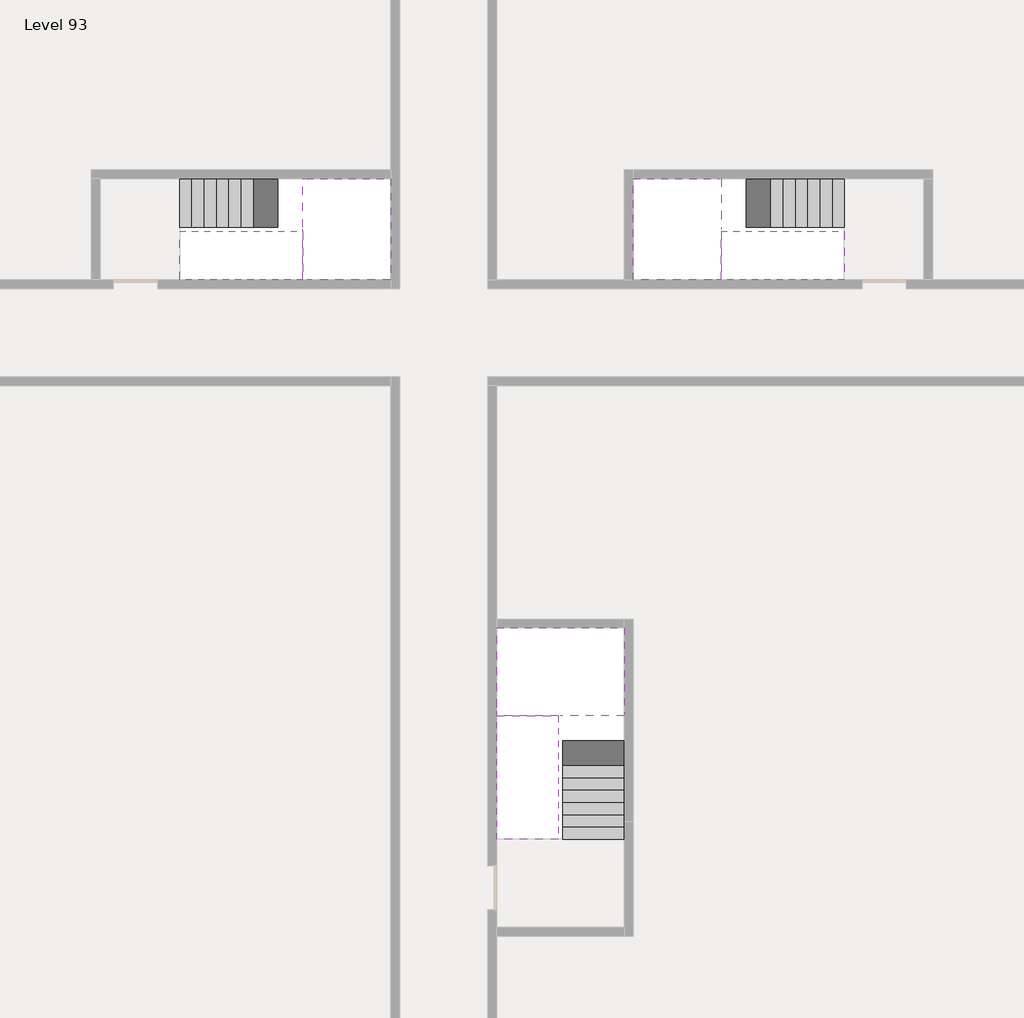
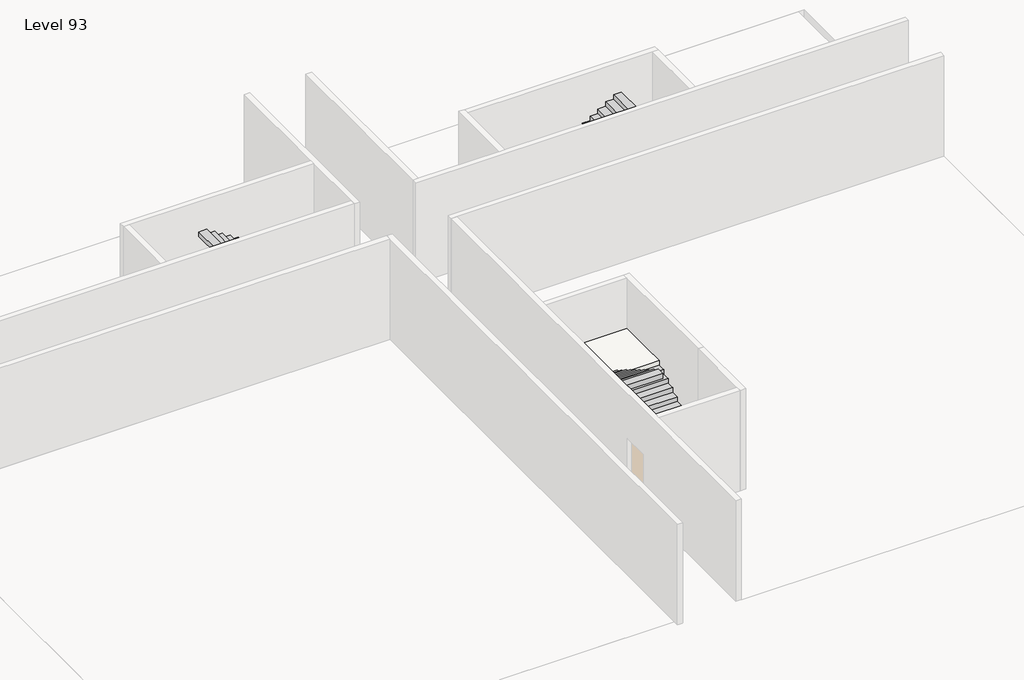
# One storey, part 2 of 2: 6 stair flights, 3 slabs.
"""IFC4 building model written with IfcOpenShell, lengths in millimetres."""

from ifc_helpers import new_model, si_unit, origin, place, context, project, spatial, faceted_brep, element, save

model = new_model("IFC4")

# Units and contexts
model_context = context("Model", 3, world=origin())
ifc_project = project(units=[si_unit("LENGTHUNIT", "METRE", prefix="MILLI")], contexts=[model_context])

# Site, building, storey
site = spatial("IfcSite", under=ifc_project)
building = spatial("IfcBuilding", under=site)
storey = spatial("IfcBuildingStorey", under=building, Name="Level 93", Elevation=349600.0)

# Slabs
placement = place(None, origin())
element("IfcSlab", 1, at=placement, inside=storey, context=model_context, shape_type="Brep", body=[
    faceted_brep([(26890.1058784, -40418.09644, 351500.0), (28290.1058784, -40418.09644, 351500.0), (28290.1058784, -40338.7100038, 351500.0), (28290.1058784, -38418.09644, 351500.0), (25390.1058784, -38418.09644, 351500.0), (25390.1058784, -40217.4828763, 351500.0), (25390.1058784, -40418.09644, 351500.0), (26790.1058784, -40418.09644, 351500.0), (26890.1058784, -40418.09644, 351200.0), (26890.1058784, -40418.09644, 351151.0278478), (28290.1058784, -40418.09644, 351151.0278478), (28290.1058784, -40418.09644, 351327.2727273), (28290.1058784, -40338.7100038, 351200.0), (28290.1058784, -38418.09644, 351200.0), (25390.1058784, -38418.09644, 351200.0), (25390.1058784, -40217.4828763, 351200.0), (25390.1058784, -40418.09644, 351323.7551205), (26790.1058784, -40418.09644, 351323.7551205), (26790.1058784, -40418.09644, 351200.0), (26790.1058784, -40217.4828763, 351200.0), (26890.1058784, -40338.7100038, 351200.0)], [[[0, 1, 2, 3, 4, 5, 6, 7]], [[1, 0, 8, 9, 10, 11]], [[1, 11, 10, 12, 13, 3, 2]], [[4, 3, 13, 14]], [[4, 14, 15, 16, 6, 5]], [[7, 6, 16, 17]], [[0, 7, 17, 18, 8]], [[18, 19, 15, 14, 13, 12, 20, 8]], [[19, 18, 17]], [[20, 12, 10, 9]], [[8, 20, 9]], [[15, 19, 17, 16]]]),
])
element("IfcSlab", 2, at=placement, inside=storey, context=model_context, shape_type="Brep", body=[
    faceted_brep([(20990.1058784, -28218.09644, 351500.0), (20990.1058784, -29318.09644, 351500.0), (20990.1058784, -29418.09644, 351500.0), (20990.1058784, -30518.09644, 351500.0), (21190.7194421, -30518.09644, 351500.0), (22990.1058784, -30518.09644, 351500.0), (22990.1058784, -28218.09644, 351500.0), (21069.4923146, -28218.09644, 351500.0), (20990.1058784, -28218.09644, 351327.2727273), (20990.1058784, -28218.09644, 351151.0278478), (20990.1058784, -29318.09644, 351151.0278478), (20990.1058784, -29318.09644, 351200.0), (20990.1058784, -29418.09644, 351200.0), (20990.1058784, -29418.09644, 351323.7551205), (20990.1058784, -30518.09644, 351323.7551205), (21190.7194421, -30518.09644, 351200.0), (22990.1058784, -30518.09644, 351200.0), (22990.1058784, -28218.09644, 351200.0), (21069.4923146, -28218.09644, 351200.0), (21190.7194421, -29418.09644, 351200.0), (21069.4923146, -29318.09644, 351200.0)], [[[0, 1, 2, 3, 4, 5, 6, 7]], [[1, 0, 8, 9, 10, 11]], [[2, 1, 11, 12, 13]], [[3, 2, 13, 14]], [[3, 14, 15, 16, 5, 4]], [[6, 5, 16, 17]], [[9, 8, 0, 7, 6, 17, 18]], [[19, 12, 11, 20, 18, 17, 16, 15]], [[12, 19, 13]], [[18, 20, 10, 9]], [[20, 11, 10]], [[19, 15, 14, 13]]]),
])
element("IfcSlab", 3, at=placement, inside=storey, context=model_context, shape_type="Brep", body=[
    faceted_brep([(30490.1058784, -29318.09644, 351500.0), (30490.1058784, -28218.09644, 351500.0), (30410.7194421, -28218.09644, 351500.0), (28490.1058784, -28218.09644, 351500.0), (28490.1058784, -30518.09644, 351500.0), (30289.4923146, -30518.09644, 351500.0), (30490.1058784, -30518.09644, 351500.0), (30490.1058784, -29418.09644, 351500.0), (30490.1058784, -29318.09644, 351200.0), (30490.1058784, -29318.09644, 351151.0278478), (30490.1058784, -28218.09644, 351151.0278478), (30490.1058784, -28218.09644, 351327.2727273), (30490.1058784, -29418.09644, 351323.7551205), (30490.1058784, -29418.09644, 351200.0), (30490.1058784, -30518.09644, 351323.7551205), (28490.1058784, -30518.09644, 351200.0), (30289.4923146, -30518.09644, 351200.0), (28490.1058784, -28218.09644, 351200.0), (30410.7194421, -28218.09644, 351200.0), (30289.4923146, -29418.09644, 351200.0), (30410.7194421, -29318.09644, 351200.0)], [[[0, 1, 2, 3, 4, 5, 6, 7]], [[1, 0, 8, 9, 10, 11]], [[0, 7, 12, 13, 8]], [[7, 6, 14, 12]], [[4, 15, 16, 14, 6, 5]], [[4, 3, 17, 15]], [[1, 11, 10, 18, 17, 3, 2]], [[13, 19, 16, 15, 17, 18, 20, 8]], [[20, 18, 10, 9]], [[8, 20, 9]], [[16, 19, 12, 14]], [[19, 13, 12]]]),
])

# Stair flights
element("IfcStairFlight", 4, at=placement, inside=storey, context=model_context, shape_type="Brep", body=[
    faceted_brep([(26890.1058784, -42938.09644, 349772.7272727), (26890.1058784, -43218.09644, 349772.7272727), (28290.1058784, -43218.09644, 349772.7272727), (28290.1058784, -42938.09644, 349772.7272727), (26890.1058784, -42938.09644, 349600.0), (26890.1058784, -43218.09644, 349600.0), (28290.1058784, -43218.09644, 349600.0), (28290.1058784, -42938.09644, 349600.0), (26890.1058784, -42658.09644, 349945.4545455), (26890.1058784, -42938.09644, 349945.4545455), (28290.1058784, -42938.09644, 349945.4545455), (28290.1058784, -42658.09644, 349945.4545455), (26890.1058784, -42658.09644, 349769.209666), (26890.1058784, -42932.3942143, 349600.0), (28290.1058784, -42932.3942143, 349600.0), (28290.1058784, -42658.09644, 349769.209666), (26890.1058784, -42378.09644, 350118.1818182), (26890.1058784, -42658.09644, 350118.1818182), (28290.1058784, -42658.09644, 350118.1818182), (28290.1058784, -42378.09644, 350118.1818182), (26890.1058784, -42378.09644, 349941.9369387), (28290.1058784, -42378.09644, 349941.9369387), (26890.1058784, -42098.09644, 350290.9090909), (26890.1058784, -42378.09644, 350290.9090909), (28290.1058784, -42378.09644, 350290.9090909), (28290.1058784, -42098.09644, 350290.9090909), (26890.1058784, -42098.09644, 350114.6642114), (28290.1058784, -42098.09644, 350114.6642114), (26890.1058784, -41818.09644, 350463.6363636), (26890.1058784, -42098.09644, 350463.6363636), (28290.1058784, -42098.09644, 350463.6363636), (28290.1058784, -41818.09644, 350463.6363636), (26890.1058784, -41818.09644, 350287.3914841), (28290.1058784, -41818.09644, 350287.3914841), (26890.1058784, -41538.09644, 350636.3636364), (26890.1058784, -41818.09644, 350636.3636364), (28290.1058784, -41818.09644, 350636.3636364), (28290.1058784, -41538.09644, 350636.3636364), (26890.1058784, -41538.09644, 350460.1187569), (28290.1058784, -41538.09644, 350460.1187569), (26890.1058784, -41258.09644, 350809.0909091), (26890.1058784, -41538.09644, 350809.0909091), (28290.1058784, -41538.09644, 350809.0909091), (28290.1058784, -41258.09644, 350809.0909091), (26890.1058784, -41258.09644, 350632.8460296), (28290.1058784, -41258.09644, 350632.8460296), (26890.1058784, -40978.09644, 350981.8181818), (26890.1058784, -41258.09644, 350981.8181818), (28290.1058784, -41258.09644, 350981.8181818), (28290.1058784, -40978.09644, 350981.8181818), (26890.1058784, -40978.09644, 350805.5733023), (28290.1058784, -40978.09644, 350805.5733023), (26890.1058784, -40698.09644, 351154.5454545), (26890.1058784, -40978.09644, 351154.5454545), (28290.1058784, -40978.09644, 351154.5454545), (28290.1058784, -40698.09644, 351154.5454545), (26890.1058784, -40698.09644, 350978.3005751), (28290.1058784, -40698.09644, 350978.3005751), (26890.1058784, -40418.09644, 351327.2727273), (26890.1058784, -40698.09644, 351327.2727273), (28290.1058784, -40698.09644, 351327.2727273), (28290.1058784, -40418.09644, 351327.2727273), (26890.1058784, -40418.09644, 351200.0), (26890.1058784, -40418.09644, 351151.0278478), (28290.1058784, -40418.09644, 351151.0278478)], [[[0, 1, 2, 3]], [[1, 0, 4, 5]], [[2, 1, 5, 6]], [[3, 2, 6, 7]], [[8, 9, 10, 11]], [[4, 0, 9, 8, 12, 13]], [[0, 3, 10, 9]], [[3, 7, 14, 15, 11, 10]], [[16, 17, 18, 19]], [[17, 16, 20, 12, 8]], [[8, 11, 18, 17]], [[19, 18, 11, 15, 21]], [[22, 23, 24, 25]], [[23, 22, 26, 20, 16]], [[16, 19, 24, 23]], [[25, 24, 19, 21, 27]], [[28, 29, 30, 31]], [[29, 28, 32, 26, 22]], [[22, 25, 30, 29]], [[31, 30, 25, 27, 33]], [[34, 35, 36, 37]], [[35, 34, 38, 32, 28]], [[28, 31, 36, 35]], [[37, 36, 31, 33, 39]], [[40, 41, 42, 43]], [[41, 40, 44, 38, 34]], [[34, 37, 42, 41]], [[43, 42, 37, 39, 45]], [[46, 47, 48, 49]], [[47, 46, 50, 44, 40]], [[40, 43, 48, 47]], [[49, 48, 43, 45, 51]], [[52, 53, 54, 55]], [[53, 52, 56, 50, 46]], [[46, 49, 54, 53]], [[55, 54, 49, 51, 57]], [[58, 59, 60, 61]], [[59, 58, 62, 63, 56, 52]], [[52, 55, 60, 59]], [[61, 60, 55, 57, 64]], [[58, 61, 64, 63, 62]], [[5, 4, 13, 14, 7, 6]], [[14, 13, 12, 20, 26, 32, 38, 44, 50, 56, 63, 64, 57, 51, 45, 39, 33, 27, 21, 15]]]),
])
element("IfcStairFlight", 5, at=placement, inside=storey, context=model_context, shape_type="Brep", body=[
    faceted_brep([(26790.1058784, -40698.09644, 351672.7272727), (26790.1058784, -40418.09644, 351672.7272727), (25390.1058784, -40418.09644, 351672.7272727), (25390.1058784, -40698.09644, 351672.7272727), (26790.1058784, -40698.09644, 351496.4823932), (26790.1058784, -40418.09644, 351323.7551205), (25390.1058784, -40418.09644, 351323.7551205), (25390.1058784, -40418.09644, 351500.0), (25390.1058784, -40698.09644, 351496.4823932), (26790.1058784, -40978.09644, 351845.4545455), (26790.1058784, -40698.09644, 351845.4545455), (25390.1058784, -40698.09644, 351845.4545455), (25390.1058784, -40978.09644, 351845.4545455), (26790.1058784, -40978.09644, 351669.209666), (25390.1058784, -40978.09644, 351669.209666), (26790.1058784, -41258.09644, 352018.1818182), (26790.1058784, -40978.09644, 352018.1818182), (25390.1058784, -40978.09644, 352018.1818182), (25390.1058784, -41258.09644, 352018.1818182), (26790.1058784, -41258.09644, 351841.9369387), (25390.1058784, -41258.09644, 351841.9369387), (26790.1058784, -41538.09644, 352190.9090909), (26790.1058784, -41258.09644, 352190.9090909), (25390.1058784, -41258.09644, 352190.9090909), (25390.1058784, -41538.09644, 352190.9090909), (26790.1058784, -41538.09644, 352014.6642114), (25390.1058784, -41538.09644, 352014.6642114), (26790.1058784, -41818.09644, 352363.6363636), (26790.1058784, -41538.09644, 352363.6363636), (25390.1058784, -41538.09644, 352363.6363636), (25390.1058784, -41818.09644, 352363.6363636), (26790.1058784, -41818.09644, 352187.3914841), (25390.1058784, -41818.09644, 352187.3914841), (26790.1058784, -42098.09644, 352536.3636364), (26790.1058784, -41818.09644, 352536.3636364), (25390.1058784, -41818.09644, 352536.3636364), (25390.1058784, -42098.09644, 352536.3636364), (26790.1058784, -42098.09644, 352360.1187569), (25390.1058784, -42098.09644, 352360.1187569), (26790.1058784, -42378.09644, 352709.0909091), (26790.1058784, -42098.09644, 352709.0909091), (25390.1058784, -42098.09644, 352709.0909091), (25390.1058784, -42378.09644, 352709.0909091), (26790.1058784, -42378.09644, 352532.8460296), (25390.1058784, -42378.09644, 352532.8460296), (26790.1058784, -42658.09644, 352881.8181818), (26790.1058784, -42378.09644, 352881.8181818), (25390.1058784, -42378.09644, 352881.8181818), (25390.1058784, -42658.09644, 352881.8181818), (26790.1058784, -42658.09644, 352705.5733023), (25390.1058784, -42658.09644, 352705.5733023), (26790.1058784, -42938.09644, 353054.5454545), (26790.1058784, -42658.09644, 353054.5454545), (25390.1058784, -42658.09644, 353054.5454545), (25390.1058784, -42938.09644, 353054.5454545), (26790.1058784, -42938.09644, 352878.3005751), (25390.1058784, -42938.09644, 352878.3005751), (26790.1058784, -43218.09644, 353227.2727273), (26790.1058784, -42938.09644, 353227.2727273), (25390.1058784, -42938.09644, 353227.2727273), (25390.1058784, -43218.09644, 353227.2727273), (26790.1058784, -43218.09644, 353051.0278478), (25390.1058784, -43218.09644, 353051.0278478)], [[[0, 1, 2, 3]], [[1, 0, 4, 5]], [[2, 1, 5, 6, 7]], [[3, 2, 7, 6, 8]], [[9, 10, 11, 12]], [[10, 9, 13, 4, 0]], [[11, 10, 0, 3]], [[12, 11, 3, 8, 14]], [[15, 16, 17, 18]], [[16, 15, 19, 13, 9]], [[17, 16, 9, 12]], [[18, 17, 12, 14, 20]], [[21, 22, 23, 24]], [[22, 21, 25, 19, 15]], [[23, 22, 15, 18]], [[24, 23, 18, 20, 26]], [[27, 28, 29, 30]], [[28, 27, 31, 25, 21]], [[29, 28, 21, 24]], [[30, 29, 24, 26, 32]], [[33, 34, 35, 36]], [[34, 33, 37, 31, 27]], [[35, 34, 27, 30]], [[36, 35, 30, 32, 38]], [[39, 40, 41, 42]], [[40, 39, 43, 37, 33]], [[41, 40, 33, 36]], [[42, 41, 36, 38, 44]], [[45, 46, 47, 48]], [[46, 45, 49, 43, 39]], [[47, 46, 39, 42]], [[48, 47, 42, 44, 50]], [[51, 52, 53, 54]], [[52, 51, 55, 49, 45]], [[53, 52, 45, 48]], [[54, 53, 48, 50, 56]], [[57, 58, 59, 60]], [[58, 57, 61, 55, 51]], [[59, 58, 51, 54]], [[60, 59, 54, 56, 62]], [[57, 60, 62, 61]], [[5, 4, 13, 19, 25, 31, 37, 43, 49, 55, 61, 62, 56, 50, 44, 38, 32, 26, 20, 14, 8, 6]]]),
])
element("IfcStairFlight", 6, at=placement, inside=storey, context=model_context, shape_type="Brep", body=[
    faceted_brep([(18470.1058784, -28218.09644, 349772.7272727), (18190.1058784, -28218.09644, 349772.7272727), (18190.1058784, -29318.09644, 349772.7272727), (18470.1058784, -29318.09644, 349772.7272727), (18470.1058784, -28218.09644, 349600.0), (18190.1058784, -28218.09644, 349600.0), (18190.1058784, -29318.09644, 349600.0), (18470.1058784, -29318.09644, 349600.0), (18750.1058784, -28218.09644, 349945.4545455), (18470.1058784, -28218.09644, 349945.4545455), (18470.1058784, -29318.09644, 349945.4545455), (18750.1058784, -29318.09644, 349945.4545455), (18750.1058784, -28218.09644, 349769.209666), (18475.8081041, -28218.09644, 349600.0), (18475.8081041, -29318.09644, 349600.0), (18750.1058784, -29318.09644, 349769.209666), (19030.1058784, -28218.09644, 350118.1818182), (18750.1058784, -28218.09644, 350118.1818182), (18750.1058784, -29318.09644, 350118.1818182), (19030.1058784, -29318.09644, 350118.1818182), (19030.1058784, -28218.09644, 349941.9369387), (19030.1058784, -29318.09644, 349941.9369387), (19310.1058784, -28218.09644, 350290.9090909), (19030.1058784, -28218.09644, 350290.9090909), (19030.1058784, -29318.09644, 350290.9090909), (19310.1058784, -29318.09644, 350290.9090909), (19310.1058784, -28218.09644, 350114.6642114), (19310.1058784, -29318.09644, 350114.6642114), (19590.1058784, -28218.09644, 350463.6363636), (19310.1058784, -28218.09644, 350463.6363636), (19310.1058784, -29318.09644, 350463.6363636), (19590.1058784, -29318.09644, 350463.6363636), (19590.1058784, -28218.09644, 350287.3914841), (19590.1058784, -29318.09644, 350287.3914841), (19870.1058784, -28218.09644, 350636.3636364), (19590.1058784, -28218.09644, 350636.3636364), (19590.1058784, -29318.09644, 350636.3636364), (19870.1058784, -29318.09644, 350636.3636364), (19870.1058784, -28218.09644, 350460.1187569), (19870.1058784, -29318.09644, 350460.1187569), (20150.1058784, -28218.09644, 350809.0909091), (19870.1058784, -28218.09644, 350809.0909091), (19870.1058784, -29318.09644, 350809.0909091), (20150.1058784, -29318.09644, 350809.0909091), (20150.1058784, -28218.09644, 350632.8460296), (20150.1058784, -29318.09644, 350632.8460296), (20430.1058784, -28218.09644, 350981.8181818), (20150.1058784, -28218.09644, 350981.8181818), (20150.1058784, -29318.09644, 350981.8181818), (20430.1058784, -29318.09644, 350981.8181818), (20430.1058784, -28218.09644, 350805.5733023), (20430.1058784, -29318.09644, 350805.5733023), (20710.1058784, -28218.09644, 351154.5454545), (20430.1058784, -28218.09644, 351154.5454545), (20430.1058784, -29318.09644, 351154.5454545), (20710.1058784, -29318.09644, 351154.5454545), (20710.1058784, -28218.09644, 350978.3005751), (20710.1058784, -29318.09644, 350978.3005751), (20990.1058784, -28218.09644, 351327.2727273), (20710.1058784, -28218.09644, 351327.2727273), (20710.1058784, -29318.09644, 351327.2727273), (20990.1058784, -29318.09644, 351327.2727273), (20990.1058784, -28218.09644, 351151.0278478), (20990.1058784, -29318.09644, 351151.0278478), (20990.1058784, -29318.09644, 351200.0)], [[[0, 1, 2, 3]], [[1, 0, 4, 5]], [[2, 1, 5, 6]], [[3, 2, 6, 7]], [[8, 9, 10, 11]], [[4, 0, 9, 8, 12, 13]], [[0, 3, 10, 9]], [[3, 7, 14, 15, 11, 10]], [[16, 17, 18, 19]], [[17, 16, 20, 12, 8]], [[8, 11, 18, 17]], [[19, 18, 11, 15, 21]], [[22, 23, 24, 25]], [[23, 22, 26, 20, 16]], [[16, 19, 24, 23]], [[25, 24, 19, 21, 27]], [[28, 29, 30, 31]], [[29, 28, 32, 26, 22]], [[22, 25, 30, 29]], [[31, 30, 25, 27, 33]], [[34, 35, 36, 37]], [[35, 34, 38, 32, 28]], [[28, 31, 36, 35]], [[37, 36, 31, 33, 39]], [[40, 41, 42, 43]], [[41, 40, 44, 38, 34]], [[34, 37, 42, 41]], [[43, 42, 37, 39, 45]], [[46, 47, 48, 49]], [[47, 46, 50, 44, 40]], [[40, 43, 48, 47]], [[49, 48, 43, 45, 51]], [[52, 53, 54, 55]], [[53, 52, 56, 50, 46]], [[46, 49, 54, 53]], [[55, 54, 49, 51, 57]], [[58, 59, 60, 61]], [[59, 58, 62, 56, 52]], [[52, 55, 60, 59]], [[61, 60, 55, 57, 63, 64]], [[58, 61, 64, 63, 62]], [[5, 4, 13, 14, 7, 6]], [[14, 13, 12, 20, 26, 32, 38, 44, 50, 56, 62, 63, 57, 51, 45, 39, 33, 27, 21, 15]]]),
])
element("IfcStairFlight", 7, at=placement, inside=storey, context=model_context, shape_type="Brep", body=[
    faceted_brep([(20710.1058784, -30518.09644, 351672.7272727), (20990.1058784, -30518.09644, 351672.7272727), (20990.1058784, -29418.09644, 351672.7272727), (20710.1058784, -29418.09644, 351672.7272727), (20710.1058784, -30518.09644, 351496.4823932), (20990.1058784, -30518.09644, 351323.7551205), (20990.1058784, -30518.09644, 351500.0), (20990.1058784, -29418.09644, 351323.7551205), (20710.1058784, -29418.09644, 351496.4823932), (20430.1058784, -30518.09644, 351845.4545455), (20710.1058784, -30518.09644, 351845.4545455), (20710.1058784, -29418.09644, 351845.4545455), (20430.1058784, -29418.09644, 351845.4545455), (20430.1058784, -30518.09644, 351669.209666), (20430.1058784, -29418.09644, 351669.209666), (20150.1058784, -30518.09644, 352018.1818182), (20430.1058784, -30518.09644, 352018.1818182), (20430.1058784, -29418.09644, 352018.1818182), (20150.1058784, -29418.09644, 352018.1818182), (20150.1058784, -30518.09644, 351841.9369387), (20150.1058784, -29418.09644, 351841.9369387), (19870.1058784, -30518.09644, 352190.9090909), (20150.1058784, -30518.09644, 352190.9090909), (20150.1058784, -29418.09644, 352190.9090909), (19870.1058784, -29418.09644, 352190.9090909), (19870.1058784, -30518.09644, 352014.6642114), (19870.1058784, -29418.09644, 352014.6642114), (19590.1058784, -30518.09644, 352363.6363636), (19870.1058784, -30518.09644, 352363.6363636), (19870.1058784, -29418.09644, 352363.6363636), (19590.1058784, -29418.09644, 352363.6363636), (19590.1058784, -30518.09644, 352187.3914841), (19590.1058784, -29418.09644, 352187.3914841), (19310.1058784, -30518.09644, 352536.3636364), (19590.1058784, -30518.09644, 352536.3636364), (19590.1058784, -29418.09644, 352536.3636364), (19310.1058784, -29418.09644, 352536.3636364), (19310.1058784, -30518.09644, 352360.1187569), (19310.1058784, -29418.09644, 352360.1187569), (19030.1058784, -30518.09644, 352709.0909091), (19310.1058784, -30518.09644, 352709.0909091), (19310.1058784, -29418.09644, 352709.0909091), (19030.1058784, -29418.09644, 352709.0909091), (19030.1058784, -30518.09644, 352532.8460296), (19030.1058784, -29418.09644, 352532.8460296), (18750.1058784, -30518.09644, 352881.8181818), (19030.1058784, -30518.09644, 352881.8181818), (19030.1058784, -29418.09644, 352881.8181818), (18750.1058784, -29418.09644, 352881.8181818), (18750.1058784, -30518.09644, 352705.5733023), (18750.1058784, -29418.09644, 352705.5733023), (18470.1058784, -30518.09644, 353054.5454545), (18750.1058784, -30518.09644, 353054.5454545), (18750.1058784, -29418.09644, 353054.5454545), (18470.1058784, -29418.09644, 353054.5454545), (18470.1058784, -30518.09644, 352878.3005751), (18470.1058784, -29418.09644, 352878.3005751), (18190.1058784, -30518.09644, 353227.2727273), (18470.1058784, -30518.09644, 353227.2727273), (18470.1058784, -29418.09644, 353227.2727273), (18190.1058784, -29418.09644, 353227.2727273), (18190.1058784, -30518.09644, 353051.0278478), (18190.1058784, -29418.09644, 353051.0278478)], [[[0, 1, 2, 3]], [[1, 0, 4, 5, 6]], [[2, 1, 6, 5, 7]], [[3, 2, 7, 8]], [[9, 10, 11, 12]], [[10, 9, 13, 4, 0]], [[11, 10, 0, 3]], [[12, 11, 3, 8, 14]], [[15, 16, 17, 18]], [[16, 15, 19, 13, 9]], [[17, 16, 9, 12]], [[18, 17, 12, 14, 20]], [[21, 22, 23, 24]], [[22, 21, 25, 19, 15]], [[23, 22, 15, 18]], [[24, 23, 18, 20, 26]], [[27, 28, 29, 30]], [[28, 27, 31, 25, 21]], [[29, 28, 21, 24]], [[30, 29, 24, 26, 32]], [[33, 34, 35, 36]], [[34, 33, 37, 31, 27]], [[35, 34, 27, 30]], [[36, 35, 30, 32, 38]], [[39, 40, 41, 42]], [[40, 39, 43, 37, 33]], [[41, 40, 33, 36]], [[42, 41, 36, 38, 44]], [[45, 46, 47, 48]], [[46, 45, 49, 43, 39]], [[47, 46, 39, 42]], [[48, 47, 42, 44, 50]], [[51, 52, 53, 54]], [[52, 51, 55, 49, 45]], [[53, 52, 45, 48]], [[54, 53, 48, 50, 56]], [[57, 58, 59, 60]], [[58, 57, 61, 55, 51]], [[59, 58, 51, 54]], [[60, 59, 54, 56, 62]], [[57, 60, 62, 61]], [[5, 4, 13, 19, 25, 31, 37, 43, 49, 55, 61, 62, 56, 50, 44, 38, 32, 26, 20, 14, 8, 7]]]),
])
element("IfcStairFlight", 8, at=placement, inside=storey, context=model_context, shape_type="Brep", body=[
    faceted_brep([(33010.1058784, -29318.09644, 349772.7272727), (33290.1058784, -29318.09644, 349772.7272727), (33290.1058784, -28218.09644, 349772.7272727), (33010.1058784, -28218.09644, 349772.7272727), (33290.1058784, -28218.09644, 349600.0), (33010.1058784, -28218.09644, 349600.0), (33290.1058784, -29318.09644, 349600.0), (33010.1058784, -29318.09644, 349600.0), (32730.1058784, -29318.09644, 349945.4545455), (33010.1058784, -29318.09644, 349945.4545455), (33010.1058784, -28218.09644, 349945.4545455), (32730.1058784, -28218.09644, 349945.4545455), (33004.4036527, -28218.09644, 349600.0), (32730.1058784, -28218.09644, 349769.209666), (32730.1058784, -29318.09644, 349769.209666), (33004.4036527, -29318.09644, 349600.0), (32450.1058784, -29318.09644, 350118.1818182), (32730.1058784, -29318.09644, 350118.1818182), (32730.1058784, -28218.09644, 350118.1818182), (32450.1058784, -28218.09644, 350118.1818182), (32450.1058784, -28218.09644, 349941.9369387), (32450.1058784, -29318.09644, 349941.9369387), (32170.1058784, -29318.09644, 350290.9090909), (32450.1058784, -29318.09644, 350290.9090909), (32450.1058784, -28218.09644, 350290.9090909), (32170.1058784, -28218.09644, 350290.9090909), (32170.1058784, -28218.09644, 350114.6642114), (32170.1058784, -29318.09644, 350114.6642114), (31890.1058784, -29318.09644, 350463.6363636), (32170.1058784, -29318.09644, 350463.6363636), (32170.1058784, -28218.09644, 350463.6363636), (31890.1058784, -28218.09644, 350463.6363636), (31890.1058784, -28218.09644, 350287.3914841), (31890.1058784, -29318.09644, 350287.3914841), (31610.1058784, -29318.09644, 350636.3636364), (31890.1058784, -29318.09644, 350636.3636364), (31890.1058784, -28218.09644, 350636.3636364), (31610.1058784, -28218.09644, 350636.3636364), (31610.1058784, -28218.09644, 350460.1187569), (31610.1058784, -29318.09644, 350460.1187569), (31330.1058784, -29318.09644, 350809.0909091), (31610.1058784, -29318.09644, 350809.0909091), (31610.1058784, -28218.09644, 350809.0909091), (31330.1058784, -28218.09644, 350809.0909091), (31330.1058784, -28218.09644, 350632.8460296), (31330.1058784, -29318.09644, 350632.8460296), (31050.1058784, -29318.09644, 350981.8181818), (31330.1058784, -29318.09644, 350981.8181818), (31330.1058784, -28218.09644, 350981.8181818), (31050.1058784, -28218.09644, 350981.8181818), (31050.1058784, -28218.09644, 350805.5733023), (31050.1058784, -29318.09644, 350805.5733023), (30770.1058784, -29318.09644, 351154.5454545), (31050.1058784, -29318.09644, 351154.5454545), (31050.1058784, -28218.09644, 351154.5454545), (30770.1058784, -28218.09644, 351154.5454545), (30770.1058784, -28218.09644, 350978.3005751), (30770.1058784, -29318.09644, 350978.3005751), (30490.1058784, -29318.09644, 351327.2727273), (30770.1058784, -29318.09644, 351327.2727273), (30770.1058784, -28218.09644, 351327.2727273), (30490.1058784, -28218.09644, 351327.2727273), (30490.1058784, -28218.09644, 351151.0278478), (30490.1058784, -29318.09644, 351200.0), (30490.1058784, -29318.09644, 351151.0278478)], [[[0, 1, 2, 3]], [[3, 2, 4, 5]], [[2, 1, 6, 4]], [[1, 0, 7, 6]], [[8, 9, 10, 11]], [[3, 5, 12, 13, 11, 10]], [[0, 3, 10, 9]], [[7, 0, 9, 8, 14, 15]], [[16, 17, 18, 19]], [[19, 18, 11, 13, 20]], [[8, 11, 18, 17]], [[17, 16, 21, 14, 8]], [[22, 23, 24, 25]], [[25, 24, 19, 20, 26]], [[16, 19, 24, 23]], [[23, 22, 27, 21, 16]], [[28, 29, 30, 31]], [[31, 30, 25, 26, 32]], [[22, 25, 30, 29]], [[29, 28, 33, 27, 22]], [[34, 35, 36, 37]], [[37, 36, 31, 32, 38]], [[28, 31, 36, 35]], [[35, 34, 39, 33, 28]], [[40, 41, 42, 43]], [[43, 42, 37, 38, 44]], [[34, 37, 42, 41]], [[41, 40, 45, 39, 34]], [[46, 47, 48, 49]], [[49, 48, 43, 44, 50]], [[40, 43, 48, 47]], [[47, 46, 51, 45, 40]], [[52, 53, 54, 55]], [[55, 54, 49, 50, 56]], [[46, 49, 54, 53]], [[53, 52, 57, 51, 46]], [[58, 59, 60, 61]], [[61, 60, 55, 56, 62]], [[52, 55, 60, 59]], [[59, 58, 63, 64, 57, 52]], [[58, 61, 62, 64, 63]], [[6, 7, 15, 12, 5, 4]], [[12, 15, 14, 21, 27, 33, 39, 45, 51, 57, 64, 62, 56, 50, 44, 38, 32, 26, 20, 13]]]),
])
element("IfcStairFlight", 9, at=placement, inside=storey, context=model_context, shape_type="Brep", body=[
    faceted_brep([(30770.1058784, -29418.09644, 351672.7272727), (30490.1058784, -29418.09644, 351672.7272727), (30490.1058784, -30518.09644, 351672.7272727), (30770.1058784, -30518.09644, 351672.7272727), (30490.1058784, -30518.09644, 351500.0), (30490.1058784, -30518.09644, 351323.7551205), (30770.1058784, -30518.09644, 351496.4823932), (30490.1058784, -29418.09644, 351323.7551205), (30770.1058784, -29418.09644, 351496.4823932), (31050.1058784, -29418.09644, 351845.4545455), (30770.1058784, -29418.09644, 351845.4545455), (30770.1058784, -30518.09644, 351845.4545455), (31050.1058784, -30518.09644, 351845.4545455), (31050.1058784, -30518.09644, 351669.209666), (31050.1058784, -29418.09644, 351669.209666), (31330.1058784, -29418.09644, 352018.1818182), (31050.1058784, -29418.09644, 352018.1818182), (31050.1058784, -30518.09644, 352018.1818182), (31330.1058784, -30518.09644, 352018.1818182), (31330.1058784, -30518.09644, 351841.9369387), (31330.1058784, -29418.09644, 351841.9369387), (31610.1058784, -29418.09644, 352190.9090909), (31330.1058784, -29418.09644, 352190.9090909), (31330.1058784, -30518.09644, 352190.9090909), (31610.1058784, -30518.09644, 352190.9090909), (31610.1058784, -30518.09644, 352014.6642114), (31610.1058784, -29418.09644, 352014.6642114), (31890.1058784, -29418.09644, 352363.6363636), (31610.1058784, -29418.09644, 352363.6363636), (31610.1058784, -30518.09644, 352363.6363636), (31890.1058784, -30518.09644, 352363.6363636), (31890.1058784, -30518.09644, 352187.3914841), (31890.1058784, -29418.09644, 352187.3914841), (32170.1058784, -29418.09644, 352536.3636364), (31890.1058784, -29418.09644, 352536.3636364), (31890.1058784, -30518.09644, 352536.3636364), (32170.1058784, -30518.09644, 352536.3636364), (32170.1058784, -30518.09644, 352360.1187569), (32170.1058784, -29418.09644, 352360.1187569), (32450.1058784, -29418.09644, 352709.0909091), (32170.1058784, -29418.09644, 352709.0909091), (32170.1058784, -30518.09644, 352709.0909091), (32450.1058784, -30518.09644, 352709.0909091), (32450.1058784, -30518.09644, 352532.8460296), (32450.1058784, -29418.09644, 352532.8460296), (32730.1058784, -29418.09644, 352881.8181818), (32450.1058784, -29418.09644, 352881.8181818), (32450.1058784, -30518.09644, 352881.8181818), (32730.1058784, -30518.09644, 352881.8181818), (32730.1058784, -30518.09644, 352705.5733023), (32730.1058784, -29418.09644, 352705.5733023), (33010.1058784, -29418.09644, 353054.5454545), (32730.1058784, -29418.09644, 353054.5454545), (32730.1058784, -30518.09644, 353054.5454545), (33010.1058784, -30518.09644, 353054.5454545), (33010.1058784, -30518.09644, 352878.3005751), (33010.1058784, -29418.09644, 352878.3005751), (33290.1058784, -29418.09644, 353227.2727273), (33010.1058784, -29418.09644, 353227.2727273), (33010.1058784, -30518.09644, 353227.2727273), (33290.1058784, -30518.09644, 353227.2727273), (33290.1058784, -30518.09644, 353051.0278478), (33290.1058784, -29418.09644, 353051.0278478)], [[[0, 1, 2, 3]], [[3, 2, 4, 5, 6]], [[2, 1, 7, 5, 4]], [[1, 0, 8, 7]], [[9, 10, 11, 12]], [[12, 11, 3, 6, 13]], [[11, 10, 0, 3]], [[10, 9, 14, 8, 0]], [[15, 16, 17, 18]], [[18, 17, 12, 13, 19]], [[17, 16, 9, 12]], [[16, 15, 20, 14, 9]], [[21, 22, 23, 24]], [[24, 23, 18, 19, 25]], [[23, 22, 15, 18]], [[22, 21, 26, 20, 15]], [[27, 28, 29, 30]], [[30, 29, 24, 25, 31]], [[29, 28, 21, 24]], [[28, 27, 32, 26, 21]], [[33, 34, 35, 36]], [[36, 35, 30, 31, 37]], [[35, 34, 27, 30]], [[34, 33, 38, 32, 27]], [[39, 40, 41, 42]], [[42, 41, 36, 37, 43]], [[41, 40, 33, 36]], [[40, 39, 44, 38, 33]], [[45, 46, 47, 48]], [[48, 47, 42, 43, 49]], [[47, 46, 39, 42]], [[46, 45, 50, 44, 39]], [[51, 52, 53, 54]], [[54, 53, 48, 49, 55]], [[53, 52, 45, 48]], [[52, 51, 56, 50, 45]], [[57, 58, 59, 60]], [[60, 59, 54, 55, 61]], [[59, 58, 51, 54]], [[58, 57, 62, 56, 51]], [[57, 60, 61, 62]], [[7, 8, 14, 20, 26, 32, 38, 44, 50, 56, 62, 61, 55, 49, 43, 37, 31, 25, 19, 13, 6, 5]]]),
])

save(model, "model.ifc")
